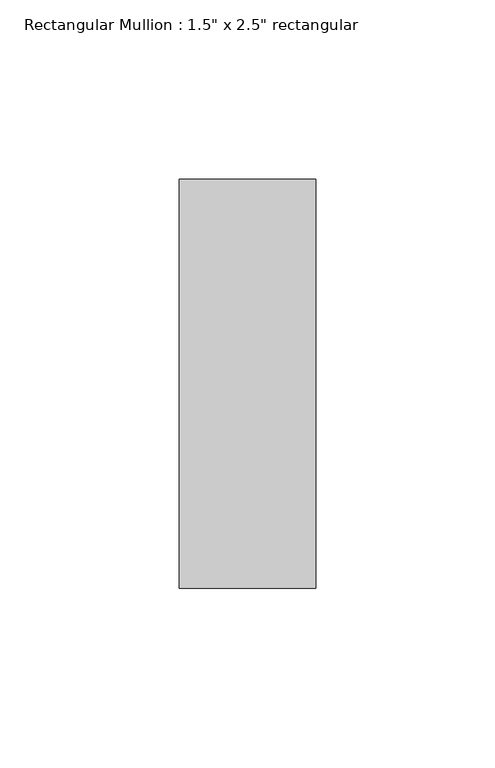
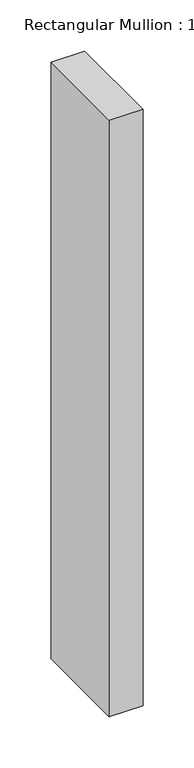
"""IFC4 building model written with IfcOpenShell, lengths in millimetres: member geometry."""

from ifc_helpers import new_model, si_unit, frame, origin, place, context, project, spatial, polyline, outline, extrude, source, transform, mapped, element, save


def member_c73240a6(model_context):
    return source(origin(), model_context, "Body", "SweptSolid", [
        extrude(outline(polyline([(19.05, 57.15), (19.05, -57.15), (-19.05, -57.15), (-19.05, 57.15), (19.05, 57.15)])), frame((0.0, 0.0, -713.3166667), z_axis=(0.0, 0.0, 1.0), x_axis=(1.0, 0.0, 0.0)), (0.0, 0.0, 1.0), 713.3166667),
    ])


if __name__ == "__main__":
    model = new_model("IFC4")
    model_context = context("Model", 3, world=origin())
    ifc_project = project(units=[si_unit("LENGTHUNIT", "METRE", prefix="MILLI")], contexts=[model_context])
    site = spatial("IfcSite", under=ifc_project)
    building = spatial("IfcBuilding", under=site)
    placement = place(None, origin())
    member_shape = member_c73240a6(model_context)
    element("IfcMember", 1, ObjectType="Rectangular Mullion : 1.5\" x 2.5\" rectangular", at=placement, inside=building, context=model_context, shape_type="MappedRepresentation", body=[
        mapped(member_shape, transform((0.0, 0.0, 0.0), x_axis=(1.0, 0.0, 0.0), y_axis=(0.0, 1.0, 0.0), z_axis=(0.0, 0.0, 1.0))),
    ])
    save(model, "model.ifc")
